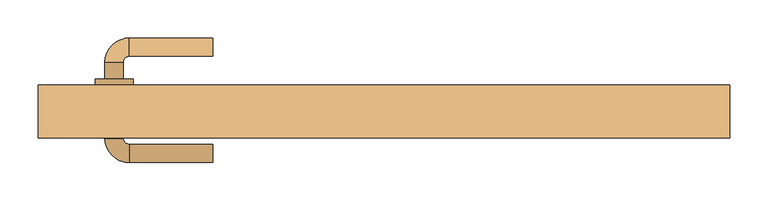
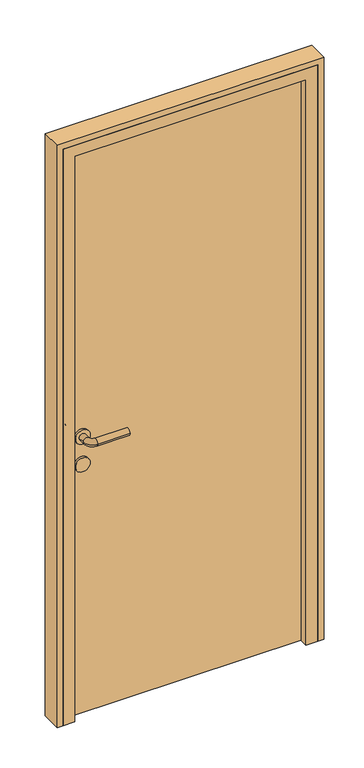
"""IFC4 building model written with IfcOpenShell, lengths in millimetres: door geometry."""

import ifcopenshell
import ifcopenshell.guid

model = None  # the IFC model being written
_history = None  # IfcOwnerHistory: only IFC2X3 demands one
_inside = {}  # id of a spatial element -> (the spatial element, [elements in it])
_under = {}  # id of a project, library or spatial element -> (it, [spatial elements below it])
_declared = {}  # id of a project -> (the project, [libraries it declares])
_typed = {}  # id of a type object -> (the type object, [elements of that type])
_made_of = {}  # id of a material, layer set ... -> (it, [elements and type objects made of it])


def new_model(schema):
    """Start an empty IFC model of exactly this schema.

    Asked for "IFC4X3", IfcOpenShell would pick the latest addendum, in which some entities
    have other attributes; the version numbers below select the first issue.
    IFC2X3 requires an IfcOwnerHistory on every rooted entity: one is made here for all.
    """
    global model, _history
    if schema == "IFC4X3":
        model = ifcopenshell.file(schema_version=(4, 3, 0, 0))
    else:
        model = ifcopenshell.file(schema=schema)
    _inside.clear()
    _under.clear()
    _declared.clear()
    _typed.clear()
    _made_of.clear()
    _history = None
    if model.schema == "IFC2X3":
        org = make("IfcOrganization", Name="unknown")
        user = make(
            "IfcPersonAndOrganization",
            ThePerson=make("IfcPerson", FamilyName="unknown"),
            TheOrganization=org,
        )
        app = make(
            "IfcApplication",
            ApplicationDeveloper=org,
            Version="unknown",
            ApplicationFullName="unknown",
            ApplicationIdentifier="unknown",
        )
        _history = make(
            "IfcOwnerHistory",
            OwningUser=user,
            OwningApplication=app,
            ChangeAction="ADDED",
            CreationDate=0,
        )
    return model


def make(cls, **values):
    """One entity of the class cls with the attributes given. An attribute that is None is left unset."""
    return model.create_entity(
        cls, **{name: value for name, value in values.items() if value is not None}
    )


def rooted(cls, **values):
    """An entity with a GlobalId (a new one), such as an element, a storey or a relation."""
    return make(cls, GlobalId=ifcopenshell.guid.new(), OwnerHistory=_history, **values)


def si_unit(unit_type, name, prefix=None):
    """IfcSIUnit, for example si_unit("LENGTHUNIT", "METRE", prefix="MILLI")."""
    return make("IfcSIUnit", UnitType=unit_type, Prefix=prefix, Name=name)


def assignment(units):
    """IfcUnitAssignment: the units of a project."""
    return None if units is None else make("IfcUnitAssignment", Units=units)


def point(xyz):
    """IfcCartesianPoint."""
    return None if xyz is None else make("IfcCartesianPoint", Coordinates=xyz)


def direction(xyz):
    """IfcDirection."""
    return None if xyz is None else make("IfcDirection", DirectionRatios=xyz)


def frame(location, z_axis=None, x_axis=None):
    """IfcAxis2Placement3D, a coordinate frame: its origin and axes. An axis left out is left unset."""
    return make(
        "IfcAxis2Placement3D",
        Location=point(location),
        Axis=direction(z_axis),
        RefDirection=direction(x_axis),
    )


def frame_2d(location, x_axis=None):
    """IfcAxis2Placement2D, a coordinate frame in the plane: its origin and x axis."""
    return make(
        "IfcAxis2Placement2D", Location=point(location), RefDirection=direction(x_axis)
    )


def origin():
    """The frame at (0, 0, 0) with its axes left unset."""
    return frame((0.0, 0.0, 0.0))


def origin_with_axes():
    """The frame at (0, 0, 0) with the z axis (0, 0, 1) and the x axis (1, 0, 0) written out."""
    return frame((0.0, 0.0, 0.0), z_axis=(0.0, 0.0, 1.0), x_axis=(1.0, 0.0, 0.0))


def place(relative_to, where):
    """IfcLocalPlacement: puts the frame where relative to a parent placement (None: the world)."""
    return make(
        "IfcLocalPlacement", PlacementRelTo=relative_to, RelativePlacement=where
    )


def context(
    kind, dimensions, precision=None, world=None, true_north=None, identifier=None
):
    """IfcGeometricRepresentationContext, for example the 3D "Model" context."""
    return make(
        "IfcGeometricRepresentationContext",
        ContextIdentifier=identifier,
        ContextType=kind,
        CoordinateSpaceDimension=dimensions,
        Precision=precision,
        WorldCoordinateSystem=world,
        TrueNorth=true_north,
    )


def project(units=None, contexts=None):
    """IfcProject with its units and contexts."""
    return rooted(
        "IfcProject",
        Name="project",
        RepresentationContexts=contexts,
        UnitsInContext=assignment(units),
    )


def spatial(cls, under=None, at=None, **own):
    """A site, building, storey or space (cls), placed at a placement, below another one or the project."""
    s = rooted(cls, ObjectPlacement=at, **own)
    if under is not None:
        _under.setdefault(under.id(), (under, []))[1].append(s)
    return s


def polyline(points):
    """IfcPolyline through the points."""
    return make("IfcPolyline", Points=[point(p) for p in points])


def circle_curve(where, radius):
    """IfcCircle in the frame where."""
    return make("IfcCircle", Position=where, Radius=radius)


def ellipse_curve(where, semi_axis1, semi_axis2):
    """IfcEllipse in the frame where."""
    return make(
        "IfcEllipse", Position=where, SemiAxis1=semi_axis1, SemiAxis2=semi_axis2
    )


def trimmed(basis, trim1, trim2, sense, master):
    """IfcTrimmedCurve: the piece of a basis curve between two trims."""
    return make(
        "IfcTrimmedCurve",
        BasisCurve=basis,
        Trim1=trim1,
        Trim2=trim2,
        SenseAgreement=sense,
        MasterRepresentation=master,
    )


def segment(curve, same_sense, transition):
    """IfcCompositeCurveSegment."""
    return make(
        "IfcCompositeCurveSegment",
        Transition=transition,
        SameSense=same_sense,
        ParentCurve=curve,
    )


def composite_curve(segments, self_intersect=None):
    """IfcCompositeCurve: segments joined end to end."""
    return make("IfcCompositeCurve", Segments=segments, SelfIntersect=self_intersect)


def outline(outer, holes=None, kind="AREA"):
    """IfcArbitraryClosedProfileDef: a profile drawn as a closed curve; with holes, ...WithVoids."""
    if holes is None:
        return make("IfcArbitraryClosedProfileDef", ProfileType=kind, OuterCurve=outer)
    return make(
        "IfcArbitraryProfileDefWithVoids",
        ProfileType=kind,
        OuterCurve=outer,
        InnerCurves=holes,
    )


def extrude(swept, where, along, depth):
    """IfcExtrudedAreaSolid: the profile swept, set in the frame where, extruded along a direction by depth."""
    return make(
        "IfcExtrudedAreaSolid",
        SweptArea=swept,
        Position=where,
        ExtrudedDirection=direction(along),
        Depth=depth,
    )


def faces_of(points, faces, orient=None, outer=None):
    """IfcFace entities. A face is a list of loops; a loop is a list of indices into points, from 0.

    orient and outer hold one flag for each loop. By default every Orientation is true, the
    first loop of a face is its IfcFaceOuterBound and the others are IfcFaceBound.
    """
    made = []
    for i, loops in enumerate(faces):
        bounds = []
        for j, loop in enumerate(loops):
            is_outer = j == 0 if outer is None else outer[i][j]
            bounds.append(
                make(
                    "IfcFaceOuterBound" if is_outer else "IfcFaceBound",
                    Bound=make("IfcPolyLoop", Polygon=[points[k] for k in loop]),
                    Orientation=True if orient is None else orient[i][j],
                )
            )
        made.append(make("IfcFace", Bounds=bounds))
    return made


def faceted_brep(points, faces, orient=None, outer=None, voids=None):
    """IfcFacetedBrep: a solid bounded by flat faces; with voids (closed shells), ...WithVoids."""
    shared = [point(p) for p in points]
    hull = make("IfcClosedShell", CfsFaces=faces_of(shared, faces, orient, outer))
    if voids is None:
        return make("IfcFacetedBrep", Outer=hull)
    return make(
        "IfcFacetedBrepWithVoids",
        Outer=hull,
        Voids=[
            make(cls, CfsFaces=faces_of(shared, fs, o, b)) for cls, fs, o, b in voids
        ],
    )


def shape(context_of_items, identifier, shape_type, items):
    """IfcShapeRepresentation: the items that make up one representation, for example the "Body"."""
    return make(
        "IfcShapeRepresentation",
        ContextOfItems=context_of_items,
        RepresentationIdentifier=identifier,
        RepresentationType=shape_type,
        Items=items,
    )


def source(mapping_origin, context_of_items, identifier, shape_type, items):
    """IfcRepresentationMap: a shape defined once, which mapped items show again and again."""
    return make(
        "IfcRepresentationMap",
        MappingOrigin=mapping_origin,
        MappedRepresentation=shape(context_of_items, identifier, shape_type, items),
    )


def transform(
    local_origin,
    x_axis=None,
    y_axis=None,
    z_axis=None,
    scale=None,
    scale2=None,
    scale3=None,
    uniform=True,
):
    """IfcCartesianTransformationOperator3D, or its non-uniform kind. x_axis, y_axis, z_axis: its Axis1, 2, 3."""
    if uniform:
        return make(
            "IfcCartesianTransformationOperator3D",
            Axis1=direction(x_axis),
            Axis2=direction(y_axis),
            LocalOrigin=point(local_origin),
            Scale=scale,
            Axis3=direction(z_axis),
        )
    return make(
        "IfcCartesianTransformationOperator3DnonUniform",
        Axis1=direction(x_axis),
        Axis2=direction(y_axis),
        LocalOrigin=point(local_origin),
        Scale=scale,
        Axis3=direction(z_axis),
        Scale2=scale2,
        Scale3=scale3,
    )


def mapped(mapping_source, mapping_target):
    """IfcMappedItem: shows the shape of a source again, moved by a transform."""
    return make(
        "IfcMappedItem", MappingSource=mapping_source, MappingTarget=mapping_target
    )


def made_of(thing, what):
    """Note that an element or type object is made of a material, layer set ...; save() writes the relation."""
    if what is not None:
        _made_of.setdefault(what.id(), (what, []))[1].append(thing)
    return thing


def element(
    cls,
    number,
    at=None,
    inside=None,
    cuts=None,
    type_object=None,
    material=None,
    context=None,
    identifier="Body",
    shape_type=None,
    held_by="IfcProductDefinitionShape",
    body=None,
    shapes=None,
    **own,
):
    """One element of the class cls, such as IfcWall. Its Tag is "e" and its number.

    at: its placement. inside: the storey or other place that contains it. cuts: it is an
    opening in that element (IfcRelVoidsElement). A single representation is given by context,
    identifier, shape_type and body (its items); several are given by shapes. held_by: the class
    of the entity that holds the representations. save() writes the other relations.
    """
    e = rooted(cls, Tag="e%d" % number, ObjectPlacement=at, **own)
    if body is not None:
        shapes = [shape(context, identifier, shape_type, body)]
    if shapes is not None:
        e.Representation = make(held_by, Representations=shapes)
    if inside is not None:
        _inside.setdefault(inside.id(), (inside, []))[1].append(e)
    if cuts is not None:
        rooted(
            "IfcRelVoidsElement", RelatingBuildingElement=cuts, RelatedOpeningElement=e
        )
    if type_object is not None:
        _typed.setdefault(type_object.id(), (type_object, []))[1].append(e)
    return made_of(e, material)


def aggregate(whole, parts):
    """IfcRelAggregates: a whole, such as a stair, and the parts it consists of."""
    return rooted("IfcRelAggregates", RelatingObject=whole, RelatedObjects=parts)


def save(model, path):
    """Write the relations noted so far, then the file.

    IfcRelAggregates (storeys below a building ...), IfcRelContainedInSpatialStructure (elements
    in a storey), IfcRelDefinesByType, IfcRelAssociatesMaterial and IfcRelDeclares: one each for
    every whole, place, type object, material and project.
    """
    for whole, parts in _under.values():
        aggregate(whole, parts)
    for where, things in _inside.values():
        rooted(
            "IfcRelContainedInSpatialStructure",
            RelatedElements=things,
            RelatingStructure=where,
        )
    for kind, things in _typed.values():
        rooted("IfcRelDefinesByType", RelatedObjects=things, RelatingType=kind)
    for what, things in _made_of.values():
        rooted("IfcRelAssociatesMaterial", RelatedObjects=things, RelatingMaterial=what)
    for by, libraries in _declared.values():
        rooted("IfcRelDeclares", RelatingContext=by, RelatedDefinitions=libraries)
    model.write(path)


def plane_surface(at):
    """IfcPlane: the flat surface through the origin of the frame at, square to its z axis."""
    return make("IfcPlane", Position=at)


def cylinder_surface(at, radius):
    """IfcCylindricalSurface: all points at the distance radius from the z axis of the frame at."""
    return make("IfcCylindricalSurface", Position=at, Radius=radius)


def revolved_surface(curve, axis_point, axis_direction):
    """IfcSurfaceOfRevolution: the curve turned about the line through axis_point along axis_direction."""
    return make(
        "IfcSurfaceOfRevolution",
        SweptCurve=make("IfcArbitraryOpenProfileDef", ProfileType="CURVE", Curve=curve),
        AxisPosition=make("IfcAxis1Placement", Location=point(axis_point), Axis=direction(axis_direction)),
    )


def advanced_brep(points, edges, surfaces, faces):
    """IfcAdvancedBrep: a solid bounded by faces that lie on surfaces and meet in shared edges.

    An edge is (start, end): straight between two places in points (the first is 0);
    or (start, end, curve); or (start, end, curve, False) where it runs against its curve.
    A face is (place in surfaces, loops), or (place, loops, False) where it looks against
    its surface's normal. A loop lists edges by number (the first is 1), with a minus sign
    where the edge is run from its end to its start. The first loop is the outer one.
    """
    corners = [point(p) for p in points]
    vertices = [make("IfcVertexPoint", VertexGeometry=c) for c in corners]
    made = []
    for start, end, *more in edges:
        made.append(
            make(
                "IfcEdgeCurve",
                EdgeStart=vertices[start],
                EdgeEnd=vertices[end],
                EdgeGeometry=more[0] if more else make("IfcPolyline", Points=[corners[start], corners[end]]),
                SameSense=more[1] if len(more) > 1 else True,
            )
        )
    hull = []
    for where, loops, *sense in faces:
        bounds = []
        for j, loop in enumerate(loops):
            ring = [make("IfcOrientedEdge", EdgeElement=made[abs(k) - 1], Orientation=k > 0) for k in loop]
            bounds.append(
                make(
                    "IfcFaceOuterBound" if j == 0 else "IfcFaceBound",
                    Bound=make("IfcEdgeLoop", EdgeList=ring),
                    Orientation=True,
                )
            )
        hull.append(make("IfcAdvancedFace", Bounds=bounds, FaceSurface=surfaces[where], SameSense=sense[0] if sense else True))
    return make("IfcAdvancedBrep", Outer=make("IfcClosedShell", CfsFaces=hull))


def door_5f137257(model_context):
    return source(origin(), model_context, "Body", "SolidModel", [
        advanced_brep(
        [(-225.0, 122.0, 1000.0), (-225.0, 98.0, 1000.0), (-335.0, 122.0, 1000.0), (-335.0, 98.0, 1000.0), (-367.0, 90.0, 1000.0), (-343.0, 90.0, 1000.0), (-367.0, 68.0, 1000.0), (-343.0, 68.0, 1000.0), (-367.0, -10.0, 1000.0), (-343.0, -10.0, 1000.0), (-343.0, 12.0, 1000.0), (-367.0, 12.0, 1000.0), (-335.0, -42.0, 1000.0), (-335.0, -18.0, 1000.0), (-225.0, -42.0, 1000.0), (-225.0, -18.0, 1000.0), (-330.0, 12.0, 1000.0), (-380.0, 12.0, 1000.0), (-330.0, 68.0, 1000.0), (-380.0, 68.0, 1000.0)],
        [
            (0, 1, circle_curve(frame((-225.0, 110.0, 1000.0), z_axis=(1.0, 0.0, 0.0), x_axis=(0.0, -1.0, 0.0)), 12.0)),
            (1, 0, circle_curve(frame((-225.0, 110.0, 1000.0), z_axis=(1.0, 0.0, 0.0), x_axis=(0.0, -1.0, 0.0)), 12.0)),
            (0, 2),
            (2, 3, circle_curve(frame((-335.0, 110.0, 1000.0), z_axis=(1.0, 0.0, 0.0), x_axis=(0.0, -1.0, 0.0)), 12.0)),
            (3, 1),
            (3, 2, circle_curve(frame((-335.0, 110.0, 1000.0), z_axis=(1.0, 0.0, 0.0), x_axis=(0.0, -1.0, 0.0)), 12.0)),
            (2, 4, circle_curve(frame((-335.0, 90.0, 1000.0), z_axis=(0.0, 0.0, 1.0), x_axis=(0.0, 1.0, 0.0)), 32.0)),
            (4, 5, circle_curve(frame((-355.0, 90.0, 1000.0), z_axis=(0.0, 1.0, 0.0), x_axis=(1.0, 0.0, 0.0)), 12.0)),
            (5, 3, circle_curve(frame((-335.0, 90.0, 1000.0), z_axis=(0.0, 0.0, -1.0), x_axis=(0.0, 1.0, 0.0)), 8.0)),
            (5, 4, circle_curve(frame((-355.0, 90.0, 1000.0), z_axis=(0.0, 1.0, 0.0), x_axis=(1.0, 0.0, 0.0)), 12.0)),
            (4, 6),
            (6, 7, circle_curve(frame((-355.0, 68.0, 1000.0), z_axis=(0.0, 1.0, 0.0), x_axis=(1.0, 0.0, 0.0)), 12.0)),
            (7, 5),
            (8, 9, circle_curve(frame((-355.0, -10.0, 1000.0), z_axis=(0.0, 1.0, 0.0), x_axis=(1.0, 0.0, 0.0)), 12.0)),
            (9, 10),
            (10, 11, circle_curve(frame((-355.0, 12.0, 1000.0), z_axis=(0.0, -1.0, 0.0), x_axis=(1.0, 0.0, 0.0)), 12.0)),
            (11, 8),
            (7, 6, circle_curve(frame((-355.0, 68.0, 1000.0), z_axis=(0.0, 1.0, 0.0), x_axis=(1.0, 0.0, 0.0)), 12.0)),
            (9, 8, circle_curve(frame((-355.0, -10.0, 1000.0), z_axis=(0.0, 1.0, 0.0), x_axis=(1.0, 0.0, 0.0)), 12.0)),
            (11, 10, circle_curve(frame((-355.0, 12.0, 1000.0), z_axis=(0.0, -1.0, 0.0), x_axis=(1.0, 0.0, 0.0)), 12.0)),
            (8, 12, circle_curve(frame((-335.0, -10.0, 1000.0), z_axis=(0.0, 0.0, 1.0), x_axis=(-1.0, 0.0, 0.0)), 32.0)),
            (12, 13, circle_curve(frame((-335.0, -30.0, 1000.0), z_axis=(-1.0, 0.0, 0.0), x_axis=(0.0, 1.0, 0.0)), 12.0)),
            (13, 9, circle_curve(frame((-335.0, -10.0, 1000.0), z_axis=(0.0, 0.0, -1.0), x_axis=(-1.0, 0.0, 0.0)), 8.0)),
            (13, 12, circle_curve(frame((-335.0, -30.0, 1000.0), z_axis=(-1.0, 0.0, 0.0), x_axis=(0.0, 1.0, 0.0)), 12.0)),
            (14, 15, circle_curve(frame((-225.0, -30.0, 1000.0), z_axis=(1.0, 0.0, 0.0), x_axis=(0.0, 1.0, 0.0)), 12.0)),
            (15, 14, circle_curve(frame((-225.0, -30.0, 1000.0), z_axis=(1.0, 0.0, 0.0), x_axis=(0.0, 1.0, 0.0)), 12.0)),
            (12, 14),
            (15, 13),
            (16, 17, circle_curve(frame((-355.0, 12.0, 1000.0), z_axis=(0.0, -1.0, 0.0), x_axis=(-1.0, 0.0, 0.0)), 25.0)),
            (17, 16, circle_curve(frame((-355.0, 12.0, 1000.0), z_axis=(0.0, -1.0, 0.0), x_axis=(-1.0, 0.0, 0.0)), 25.0)),
            (18, 19, circle_curve(frame((-355.0, 68.0, 1000.0), z_axis=(0.0, 1.0, 0.0), x_axis=(-1.0, 0.0, 0.0)), 25.0)),
            (19, 18, circle_curve(frame((-355.0, 68.0, 1000.0), z_axis=(0.0, 1.0, 0.0), x_axis=(-1.0, 0.0, 0.0)), 25.0)),
            (16, 18),
            (19, 17),
        ],
        [
            plane_surface(frame((-225.0, 110.0, 1000.0), z_axis=(1.0, 0.0, 0.0), x_axis=(0.0, 0.0, 1.0))),
            cylinder_surface(frame((-225.0, 110.0, 1000.0), z_axis=(1.0, 0.0, 0.0), x_axis=(0.0, -1.0, 0.0)), 12.0),
            revolved_surface(trimmed(ellipse_curve(frame((-335.0, 110.0, 1000.0), z_axis=(1.0, 0.0, 0.0), x_axis=(0.0, -1.0, 0.0)), 12.0, 12.0), [point((-335.0, 122.0, 1000.0))], [point((-335.0, 98.0, 1000.0))], True, "CARTESIAN"), (-335.0, 90.0, 1000.0), (0.0, 0.0, 1.0)),
            revolved_surface(trimmed(ellipse_curve(frame((-335.0, 110.0, 1000.0), z_axis=(1.0, 0.0, 0.0), x_axis=(0.0, -1.0, 0.0)), 12.0, 12.0), [point((-335.0, 98.0, 1000.0))], [point((-335.0, 122.0, 1000.0))], True, "CARTESIAN"), (-335.0, 90.0, 1000.0), (0.0, 0.0, 1.0)),
            cylinder_surface(frame((-355.0, 90.0, 1000.0), z_axis=(0.0, 1.0, 0.0), x_axis=(1.0, 0.0, 0.0)), 12.0),
            revolved_surface(trimmed(ellipse_curve(frame((-355.0, -10.0, 1000.0), z_axis=(0.0, 1.0, 0.0), x_axis=(1.0, 0.0, 0.0)), 12.0, 12.0), [point((-367.0, -10.0, 1000.0))], [point((-343.0, -10.0, 1000.0))], True, "CARTESIAN"), (-335.0, -10.0, 1000.0), (0.0, 0.0, 1.0)),
            revolved_surface(trimmed(ellipse_curve(frame((-355.0, -10.0, 1000.0), z_axis=(0.0, 1.0, 0.0), x_axis=(1.0, 0.0, 0.0)), 12.0, 12.0), [point((-343.0, -10.0, 1000.0))], [point((-367.0, -10.0, 1000.0))], True, "CARTESIAN"), (-335.0, -10.0, 1000.0), (0.0, 0.0, 1.0)),
            plane_surface(frame((-225.0, -30.0, 1000.0), z_axis=(1.0, 0.0, 0.0), x_axis=(0.0, 0.0, 1.0))),
            cylinder_surface(frame((-335.0, -30.0, 1000.0), z_axis=(-1.0, 0.0, 0.0), x_axis=(0.0, 1.0, 0.0)), 12.0),
            plane_surface(frame((-380.0, 12.0, 1000.0), z_axis=(0.0, -1.0, 0.0), x_axis=(0.0, 0.0, -1.0))),
            plane_surface(frame((-380.0, 68.0, 1000.0), z_axis=(0.0, 1.0, 0.0), x_axis=(0.0, 0.0, 1.0))),
            cylinder_surface(frame((-355.0, 12.0, 1000.0), z_axis=(0.0, 1.0, 0.0), x_axis=(-1.0, 0.0, 0.0)), 25.0),
        ],
        [
            (0, [[1, 2]]),
            (1, [[-1, 3, 4, 5]]),
            (1, [[-2, -5, 6, -3]]),
            (2, [[-4, 7, 8, 9]]),
            (3, [[-6, -9, 10, -7]]),
            (4, [[-8, 11, 12, 13]]),
            (4, [[14, 15, 16, 17]]),
            (4, [[-10, -13, 18, -11]]),
            (4, [[19, -17, 20, -15]]),
            (5, [[-14, 21, 22, 23]]),
            (6, [[-19, -23, 24, -21]]),
            (7, [[25, 26]]),
            (8, [[-22, 27, -26, 28]]),
            (8, [[-24, -28, -25, -27]]),
            (9, [[29, 30], [-16, -20]]),
            (10, [[31, 32], [-12, -18]]),
            (11, [[-29, 33, -32, 34]]),
            (11, [[-30, -34, -31, -33]]),
        ],
    ),
        extrude(outline(composite_curve([segment(trimmed(circle_curve(frame_2d((900.0, -355.0)), 25.0), [point((900.0, -330.0))], [point((900.0, -380.0))], False, "CARTESIAN"), True, "CONTINUOUS"), segment(trimmed(circle_curve(frame_2d((900.0, -355.0)), 25.0), [point((900.0, -380.0))], [point((900.0, -330.0))], False, "CARTESIAN"), True, "CONTINUOUS")], self_intersect=False)), frame((0.0, 12.0, 0.0), z_axis=(0.0, 1.0, 0.0), x_axis=(0.0, 0.0, 1.0)), (0.0, 0.0, 1.0), 56.0),
        extrude(outline(polyline([(405.0, 20.0), (-405.0, 20.0), (-405.0, 60.0), (405.0, 60.0), (405.0, 20.0)])), origin_with_axes(), (0.0, 0.0, 1.0), 2050.0),
        extrude(outline(polyline([(0.0, 455.0), (2100.0, 455.0), (2100.0, -455.0), (0.0, -455.0), (0.0, -435.0), (2080.0, -435.0), (2080.0, 435.0), (0.0, 435.0), (0.0, 455.0)])), frame((0.0, -10.0, 0.0), z_axis=(0.0, 1.0, 0.0), x_axis=(0.0, 0.0, 1.0)), (0.0, 0.0, 1.0), 70.0),
        faceted_brep([(-435.0, -10.0, 0.0), (-435.0, 60.0, 0.0), (-405.0, 60.0, 0.0), (-405.0, 20.0, 0.0), (-395.0, 20.0, 0.0), (-395.0, -10.0, 0.0), (-435.0, -10.0, 2080.0), (-435.0, 60.0, 2080.0), (435.0, 60.0, 2080.0), (435.0, 60.0, 0.0), (405.0, 60.0, 0.0), (405.0, 60.0, 2050.0), (-405.0, 60.0, 2050.0), (-405.0, 20.0, 2050.0), (405.0, 20.0, 2050.0), (405.0, 20.0, 0.0), (395.0, 20.0, 0.0), (395.0, 20.0, 2040.0), (-395.0, 20.0, 2040.0), (-395.0, -10.0, 2040.0), (395.0, -10.0, 2040.0), (395.0, -10.0, 0.0), (435.0, -10.0, 0.0), (435.0, -10.0, 2080.0)], [[[0, 1, 2, 3, 4, 5]], [[1, 0, 6, 7]], [[2, 1, 7, 8, 9, 10, 11, 12]], [[3, 2, 12, 13]], [[4, 3, 13, 14, 15, 16, 17, 18]], [[5, 4, 18, 19]], [[0, 5, 19, 20, 21, 22, 23, 6]], [[7, 6, 23, 8]], [[13, 12, 11, 14]], [[19, 18, 17, 20]], [[22, 21, 16, 15, 10, 9]], [[8, 23, 22, 9]], [[14, 11, 10, 15]], [[20, 17, 16, 21]]]),
    ])


if __name__ == "__main__":
    model = new_model("IFC4")
    model_context = context("Model", 3, world=origin())
    ifc_project = project(units=[si_unit("LENGTHUNIT", "METRE", prefix="MILLI")], contexts=[model_context])
    site = spatial("IfcSite", under=ifc_project)
    building = spatial("IfcBuilding", under=site)
    placement = place(None, origin())
    door_shape = door_5f137257(model_context)
    element("IfcDoor", 1, at=placement, inside=building, context=model_context, shape_type="MappedRepresentation", body=[
        mapped(door_shape, transform((0.0, 0.0, 0.0), x_axis=(1.0, 0.0, 0.0), y_axis=(0.0, 1.0, 0.0), z_axis=(0.0, 0.0, 1.0))),
    ])
    save(model, "model.ifc")
